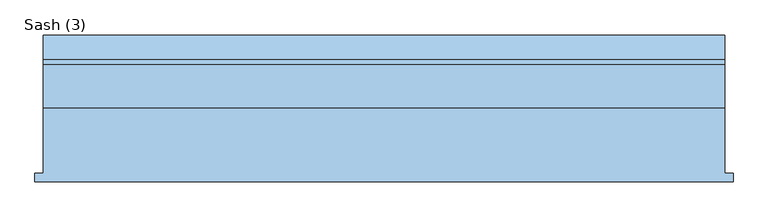
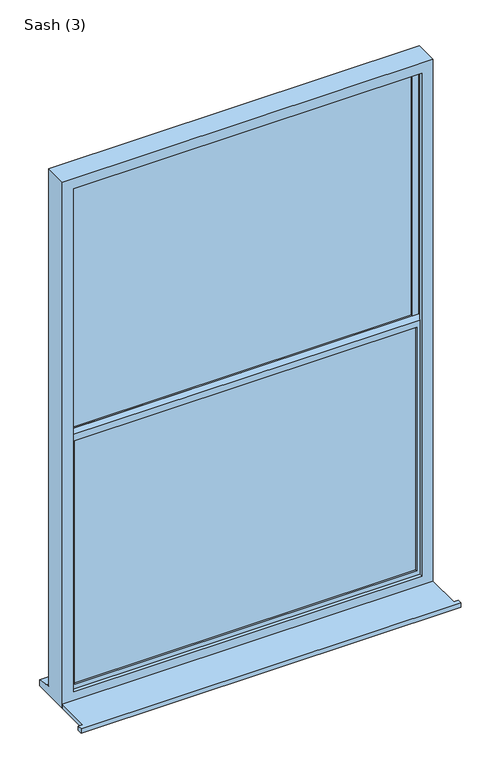
"""IFC4 building model written with IfcOpenShell, lengths in millimetres: window geometry, Sash (3)."""

from ifc_helpers import new_model, si_unit, frame, origin, place, context, project, spatial, polyline, outline, extrude, faceted_brep, source, transform, mapped, element, save


def sash_3_4920e4af(model_context):
    return source(origin(), model_context, "Body", "SolidModel", [
        extrude(outline(polyline([(-1310.0, -226.5434322), (-1310.0, -201.5434322), (-1285.0, -201.5434322), (-1285.0, -9.5434322), (715.0, -9.5434322), (715.0, -201.5434322), (740.0, -201.5434322), (740.0, -226.5434322), (-1310.0, -226.5434322)])), frame((0.0, 0.0, -890.0), z_axis=(0.0, 0.0, 1.0), x_axis=(1.0, 0.0, 0.0)), (0.0, 0.0, 1.0), 25.0),
        extrude(outline(polyline([(647.9289322, 63.9565678), (-1217.9289322, 63.9565678), (-1217.9289322, 87.9565678), (647.9289322, 87.9565678), (647.9289322, 63.9565678)])), frame((0.0, 0.0, 624.5710678), z_axis=(0.0, 0.0, 1.0), x_axis=(1.0, 0.0, 0.0)), (0.0, 0.0, 1.0), 1418.3578644),
        extrude(outline(polyline([(647.9289322, 18.9565678), (-1217.9289322, 18.9565678), (-1217.9289322, 42.9565678), (647.9289322, 42.9565678), (647.9289322, 18.9565678)])), frame((0.0, 0.0, -799.9289322), z_axis=(0.0, 0.0, 1.0), x_axis=(1.0, 0.0, 0.0)), (0.0, 0.0, 1.0), 1407.8578644),
        faceted_brep([(-1285.0, -9.5434322, -890.0), (715.0, -9.5434322, -890.0), (715.0, -9.5434322, 2110.0), (-1285.0, -9.5434322, 2110.0), (-1225.0, -9.5434322, 2050.0), (655.0, -9.5434322, 2050.0), (655.0, -9.5434322, -815.0), (-1225.0, -9.5434322, -815.0), (-1285.0, 116.4565678, 2110.0), (-1285.0, 116.4565678, -839.0), (-1285.0, 131.4565678, -839.7290722), (-1285.0, 131.4565678, -843.4449221), (-1285.0, 203.9565678, -856.1911153), (-1285.0, 203.9565678, -890.0), (715.0, 116.4565678, 2110.0), (715.0, 116.4565678, -839.0), (-1225.0, 116.4565678, 2050.0), (-1225.0, 116.4565678, -827.0), (655.0, 116.4565678, -827.0), (655.0, 116.4565678, 2050.0), (-1225.0, 98.4565678, 2050.0), (-1225.0, 98.4565678, -827.0), (655.0, 98.4565678, 2050.0), (655.0, 98.4565678, -827.0), (675.0, 98.4565678, -827.0), (675.0, 98.4565678, 2070.0), (-1245.0, 98.4565678, 2070.0), (-1245.0, 98.4565678, -827.0), (-1245.0, 8.4565678, 2070.0), (-1245.0, 8.4565678, -827.0), (675.0, 8.4565678, 2070.0), (675.0, 8.4565678, -827.0), (-1225.0, 8.4565678, 2050.0), (-1225.0, 8.4565678, -815.0), (655.0, 8.4565678, -815.0), (655.0, 8.4565678, 2050.0), (715.0, 203.9565678, -890.0), (715.0, 203.9565678, -856.1911153), (715.0, 131.4565678, -843.4449221), (715.0, 131.4565678, -839.7290722)], [[[0, 1, 2, 3], [4, 5, 6, 7]], [[0, 3, 8, 9, 10, 11, 12, 13]], [[9, 8, 14, 15], [16, 17, 18, 19]], [[17, 16, 20, 21]], [[21, 20, 22, 23, 24, 25, 26, 27]], [[27, 26, 28, 29]], [[28, 30, 31, 29], [32, 33, 34, 35]], [[32, 4, 7, 33]], [[3, 2, 14, 8]], [[16, 19, 22, 20]], [[26, 25, 30, 28]], [[5, 4, 32, 35]], [[15, 14, 2, 1, 36, 37, 38, 39]], [[19, 18, 23, 22]], [[25, 24, 31, 30]], [[5, 35, 34, 6]], [[36, 1, 0, 13]], [[37, 36, 13, 12]], [[38, 37, 12, 11]], [[39, 38, 11, 10]], [[15, 39, 10, 9]], [[29, 31, 24, 23, 18, 17, 21, 27]], [[7, 6, 34, 33]]]),
        faceted_brep([(-1245.0, 53.4565678, 2070.4289322), (-1245.0, 98.4565678, 2070.4289322), (-1245.0, 98.4565678, 597.5), (-1245.0, 53.4565678, 597.5), (-1207.9289322, 63.9565678, 2033.3578644), (-1207.9289322, 53.4565678, 2033.3578644), (-1207.9289322, 53.4565678, 634.5710678), (-1207.9289322, 63.9565678, 634.5710678), (-1217.9289322, 87.9565678, 2043.3578644), (-1217.9289322, 63.9565678, 2043.3578644), (-1217.9289322, 63.9565678, 624.5710678), (-1217.9289322, 87.9565678, 624.5710678), (-1207.9289322, 98.4565678, 2033.3578644), (-1207.9289322, 87.9565678, 2033.3578644), (-1207.9289322, 87.9565678, 634.5710678), (-1207.9289322, 98.4565678, 634.5710678), (675.0, 98.4565678, 597.5), (675.0, 53.4565678, 597.5), (637.9289322, 53.4565678, 634.5710678), (637.9289322, 63.9565678, 634.5710678), (647.9289322, 63.9565678, 624.5710678), (647.9289322, 87.9565678, 624.5710678), (637.9289322, 87.9565678, 634.5710678), (637.9289322, 98.4565678, 634.5710678), (675.0, 98.4565678, 2070.4289322), (675.0, 53.4565678, 2070.4289322), (637.9289322, 53.4565678, 2033.3578644), (637.9289322, 63.9565678, 2033.3578644), (647.9289322, 63.9565678, 2043.3578644), (647.9289322, 87.9565678, 2043.3578644), (637.9289322, 87.9565678, 2033.3578644), (637.9289322, 98.4565678, 2033.3578644)], [[[0, 1, 2, 3]], [[4, 5, 6, 7]], [[8, 9, 10, 11]], [[12, 13, 14, 15]], [[3, 2, 16, 17]], [[7, 6, 18, 19]], [[11, 10, 20, 21]], [[15, 14, 22, 23]], [[17, 16, 24, 25]], [[19, 18, 26, 27]], [[21, 20, 28, 29]], [[23, 22, 30, 31]], [[25, 24, 1, 0]], [[3, 17, 25, 0], [5, 26, 18, 6]], [[27, 26, 5, 4]], [[9, 28, 20, 10], [7, 19, 27, 4]], [[29, 28, 9, 8]], [[11, 21, 29, 8], [13, 30, 22, 14]], [[31, 30, 13, 12]], [[1, 24, 16, 2], [15, 23, 31, 12]]]),
        faceted_brep([(-1245.0, 8.4565678, 635.0), (-1245.0, 53.4565678, 635.0), (-1245.0, 53.4565678, -827.0), (-1245.0, 8.4565678, -827.0), (-1207.9289322, 18.9565678, 597.9289322), (-1207.9289322, 8.4565678, 597.9289322), (-1207.9289322, 8.4565678, -789.9289322), (-1207.9289322, 18.9565678, -789.9289322), (-1217.9289322, 42.9565678, 607.9289322), (-1217.9289322, 18.9565678, 607.9289322), (-1217.9289322, 18.9565678, -799.9289322), (-1217.9289322, 42.9565678, -799.9289322), (-1207.9289322, 53.4565678, 597.9289322), (-1207.9289322, 42.9565678, 597.9289322), (-1207.9289322, 42.9565678, -789.9289322), (-1207.9289322, 53.4565678, -789.9289322), (675.0, 53.4565678, -827.0), (675.0, 8.4565678, -827.0), (637.9289322, 8.4565678, -789.9289322), (637.9289322, 18.9565678, -789.9289322), (647.9289322, 18.9565678, -799.9289322), (647.9289322, 42.9565678, -799.9289322), (637.9289322, 42.9565678, -789.9289322), (637.9289322, 53.4565678, -789.9289322), (675.0, 53.4565678, 635.0), (675.0, 8.4565678, 635.0), (637.9289322, 8.4565678, 597.9289322), (637.9289322, 18.9565678, 597.9289322), (647.9289322, 18.9565678, 607.9289322), (647.9289322, 42.9565678, 607.9289322), (637.9289322, 42.9565678, 597.9289322), (637.9289322, 53.4565678, 597.9289322)], [[[0, 1, 2, 3]], [[4, 5, 6, 7]], [[8, 9, 10, 11]], [[12, 13, 14, 15]], [[3, 2, 16, 17]], [[7, 6, 18, 19]], [[11, 10, 20, 21]], [[15, 14, 22, 23]], [[17, 16, 24, 25]], [[19, 18, 26, 27]], [[21, 20, 28, 29]], [[23, 22, 30, 31]], [[25, 24, 1, 0]], [[3, 17, 25, 0], [5, 26, 18, 6]], [[27, 26, 5, 4]], [[9, 28, 20, 10], [7, 19, 27, 4]], [[29, 28, 9, 8]], [[11, 21, 29, 8], [13, 30, 22, 14]], [[31, 30, 13, 12]], [[1, 24, 16, 2], [15, 23, 31, 12]]]),
        extrude(outline(polyline([(624.5710678, 166.4644661), (624.5710678, 186.4644661), (1323.9644661, 186.4644661), (1323.9644661, 647.9289322), (1343.9644661, 647.9289322), (1343.9644661, 186.4644661), (2042.9289322, 186.4644661), (2042.9289322, 166.4644661), (1343.9644661, 166.4644661), (1343.9644661, -275.0), (2042.9289322, -275.0), (2042.9289322, -295.0), (1343.9644661, -295.0), (1343.9644661, -736.4644661), (2042.9289322, -736.4644661), (2042.9289322, -756.4644661), (1343.9644661, -756.4644661), (1343.9644661, -1217.9289322), (1323.9644661, -1217.9289322), (1323.9644661, -756.4644661), (624.5710678, -756.4644661), (624.5710678, -736.4644661), (1323.9644661, -736.4644661), (1323.9644661, -295.0), (624.5710678, -295.0), (624.5710678, -275.0), (1323.9644661, -275.0), (1323.9644661, 166.4644661), (624.5710678, 166.4644661)])), frame((0.0, 71.9565678, 0.0), z_axis=(0.0, 1.0, 0.0), x_axis=(0.0, 0.0, 1.0)), (0.0, 0.0, 1.0), 8.0),
        extrude(outline(polyline([(-799.9289322, 166.4644661), (-799.9289322, 186.4644661), (-124.75, 186.4644661), (-124.75, 647.9289322), (-104.75, 647.9289322), (-104.75, 186.4644661), (607.9289322, 186.4644661), (607.9289322, 166.4644661), (-104.75, 166.4644661), (-104.75, -275.0), (607.9289322, -275.0), (607.9289322, -295.0), (-104.75, -295.0), (-104.75, -736.4644661), (607.9289322, -736.4644661), (607.9289322, -756.4644661), (-104.75, -756.4644661), (-104.75, -1217.9289322), (-124.75, -1217.9289322), (-124.75, -756.4644661), (-799.9289322, -756.4644661), (-799.9289322, -736.4644661), (-124.75, -736.4644661), (-124.75, -295.0), (-799.9289322, -295.0), (-799.9289322, -275.0), (-124.75, -275.0), (-124.75, 166.4644661), (-799.9289322, 166.4644661)])), frame((0.0, 26.9565678, 0.0), z_axis=(0.0, 1.0, 0.0), x_axis=(0.0, 0.0, 1.0)), (0.0, 0.0, 1.0), 8.0),
    ])


if __name__ == "__main__":
    model = new_model("IFC4")
    model_context = context("Model", 3, world=origin())
    ifc_project = project(units=[si_unit("LENGTHUNIT", "METRE", prefix="MILLI")], contexts=[model_context])
    site = spatial("IfcSite", under=ifc_project)
    building = spatial("IfcBuilding", under=site)
    placement = place(None, origin())
    sash_3_shape = sash_3_4920e4af(model_context)
    element("IfcWindow", 1, ObjectType="Sash (3)", at=placement, inside=building, context=model_context, shape_type="MappedRepresentation", body=[
        mapped(sash_3_shape, transform((0.0, 0.0, 0.0), x_axis=(1.0, 0.0, 0.0), y_axis=(0.0, 1.0, 0.0), z_axis=(0.0, 0.0, 1.0))),
    ])
    save(model, "model.ifc")
